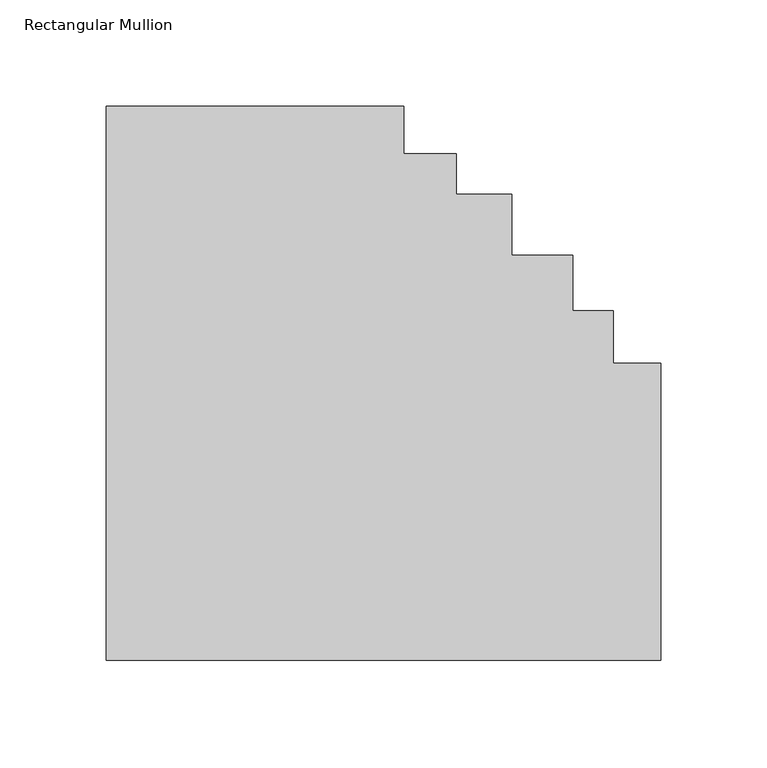
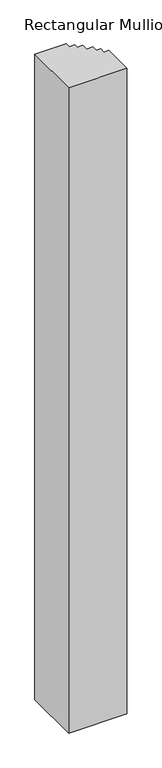
"""IFC4 building model written with IfcOpenShell, lengths in millimetres: member geometry, Rectangular Mullion."""

from ifc_helpers import new_model, si_unit, frame, origin, place, context, project, spatial, polyline, outline, extrude, source, transform, mapped, element, save


def rectangular_mullion_572624e7(model_context):
    return source(origin(), model_context, "Body", "SweptSolid", [
        extrude(outline(polyline([(-120.6499944, 0.0), (-120.6499944, -22.2029874), (-95.999981, -22.2029874), (-96.0872905, -41.2532138), (-69.85, -41.2532138), (-69.85, -69.8281006), (-41.2751132, -69.8281006), (-41.2751132, -95.9780816), (-22.2248868, -96.0653911), (-22.2248868, -120.628095), (0.0, -120.628095), (0.0, -260.3281006), (-260.3499894, -260.3281006), (-260.3499894, 0.0), (-120.6499944, 0.0)])), frame((0.0, 0.0, -3048.0), z_axis=(0.0, 0.0, 1.0), x_axis=(1.0, 0.0, 0.0)), (0.0, 0.0, 1.0), 3048.0),
    ])


if __name__ == "__main__":
    model = new_model("IFC4")
    model_context = context("Model", 3, world=origin())
    ifc_project = project(units=[si_unit("LENGTHUNIT", "METRE", prefix="MILLI")], contexts=[model_context])
    site = spatial("IfcSite", under=ifc_project)
    building = spatial("IfcBuilding", under=site)
    placement = place(None, origin())
    rectangular_mullion_shape = rectangular_mullion_572624e7(model_context)
    element("IfcMember", 1, ObjectType="Rectangular Mullion", at=placement, inside=building, context=model_context, shape_type="MappedRepresentation", body=[
        mapped(rectangular_mullion_shape, transform((0.0, 0.0, 0.0), x_axis=(1.0, 0.0, 0.0), y_axis=(0.0, 1.0, 0.0), z_axis=(0.0, 0.0, 1.0))),
    ])
    save(model, "model.ifc")
